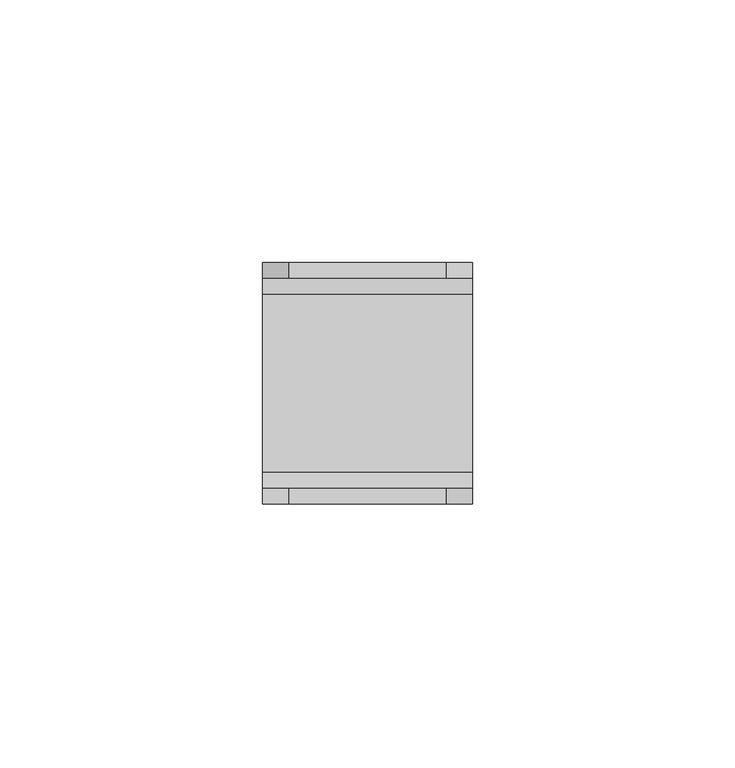
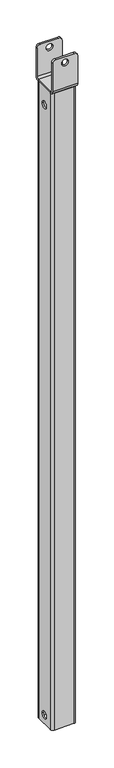
"""IFC4 building model written with IfcOpenShell, lengths in millimetres: proxy geometry."""

import ifcopenshell
import ifcopenshell.guid

model = None  # the IFC model being written
_history = None  # IfcOwnerHistory: only IFC2X3 demands one
_inside = {}  # id of a spatial element -> (the spatial element, [elements in it])
_under = {}  # id of a project, library or spatial element -> (it, [spatial elements below it])
_declared = {}  # id of a project -> (the project, [libraries it declares])
_typed = {}  # id of a type object -> (the type object, [elements of that type])
_made_of = {}  # id of a material, layer set ... -> (it, [elements and type objects made of it])


def new_model(schema):
    """Start an empty IFC model of exactly this schema.

    Asked for "IFC4X3", IfcOpenShell would pick the latest addendum, in which some entities
    have other attributes; the version numbers below select the first issue.
    IFC2X3 requires an IfcOwnerHistory on every rooted entity: one is made here for all.
    """
    global model, _history
    if schema == "IFC4X3":
        model = ifcopenshell.file(schema_version=(4, 3, 0, 0))
    else:
        model = ifcopenshell.file(schema=schema)
    _inside.clear()
    _under.clear()
    _declared.clear()
    _typed.clear()
    _made_of.clear()
    _history = None
    if model.schema == "IFC2X3":
        org = make("IfcOrganization", Name="unknown")
        user = make(
            "IfcPersonAndOrganization",
            ThePerson=make("IfcPerson", FamilyName="unknown"),
            TheOrganization=org,
        )
        app = make(
            "IfcApplication",
            ApplicationDeveloper=org,
            Version="unknown",
            ApplicationFullName="unknown",
            ApplicationIdentifier="unknown",
        )
        _history = make(
            "IfcOwnerHistory",
            OwningUser=user,
            OwningApplication=app,
            ChangeAction="ADDED",
            CreationDate=0,
        )
    return model


def make(cls, **values):
    """One entity of the class cls with the attributes given. An attribute that is None is left unset."""
    return model.create_entity(
        cls, **{name: value for name, value in values.items() if value is not None}
    )


def rooted(cls, **values):
    """An entity with a GlobalId (a new one), such as an element, a storey or a relation."""
    return make(cls, GlobalId=ifcopenshell.guid.new(), OwnerHistory=_history, **values)


def si_unit(unit_type, name, prefix=None):
    """IfcSIUnit, for example si_unit("LENGTHUNIT", "METRE", prefix="MILLI")."""
    return make("IfcSIUnit", UnitType=unit_type, Prefix=prefix, Name=name)


def assignment(units):
    """IfcUnitAssignment: the units of a project."""
    return None if units is None else make("IfcUnitAssignment", Units=units)


def point(xyz):
    """IfcCartesianPoint."""
    return None if xyz is None else make("IfcCartesianPoint", Coordinates=xyz)


def direction(xyz):
    """IfcDirection."""
    return None if xyz is None else make("IfcDirection", DirectionRatios=xyz)


def frame(location, z_axis=None, x_axis=None):
    """IfcAxis2Placement3D, a coordinate frame: its origin and axes. An axis left out is left unset."""
    return make(
        "IfcAxis2Placement3D",
        Location=point(location),
        Axis=direction(z_axis),
        RefDirection=direction(x_axis),
    )


def origin():
    """The frame at (0, 0, 0) with its axes left unset."""
    return frame((0.0, 0.0, 0.0))


def place(relative_to, where):
    """IfcLocalPlacement: puts the frame where relative to a parent placement (None: the world)."""
    return make(
        "IfcLocalPlacement", PlacementRelTo=relative_to, RelativePlacement=where
    )


def context(
    kind, dimensions, precision=None, world=None, true_north=None, identifier=None
):
    """IfcGeometricRepresentationContext, for example the 3D "Model" context."""
    return make(
        "IfcGeometricRepresentationContext",
        ContextIdentifier=identifier,
        ContextType=kind,
        CoordinateSpaceDimension=dimensions,
        Precision=precision,
        WorldCoordinateSystem=world,
        TrueNorth=true_north,
    )


def project(units=None, contexts=None):
    """IfcProject with its units and contexts."""
    return rooted(
        "IfcProject",
        Name="project",
        RepresentationContexts=contexts,
        UnitsInContext=assignment(units),
    )


def spatial(cls, under=None, at=None, **own):
    """A site, building, storey or space (cls), placed at a placement, below another one or the project."""
    s = rooted(cls, ObjectPlacement=at, **own)
    if under is not None:
        _under.setdefault(under.id(), (under, []))[1].append(s)
    return s


def polyline(points):
    """IfcPolyline through the points."""
    return make("IfcPolyline", Points=[point(p) for p in points])


def circle_curve(where, radius):
    """IfcCircle in the frame where."""
    return make("IfcCircle", Position=where, Radius=radius)


def shape(context_of_items, identifier, shape_type, items):
    """IfcShapeRepresentation: the items that make up one representation, for example the "Body"."""
    return make(
        "IfcShapeRepresentation",
        ContextOfItems=context_of_items,
        RepresentationIdentifier=identifier,
        RepresentationType=shape_type,
        Items=items,
    )


def source(mapping_origin, context_of_items, identifier, shape_type, items):
    """IfcRepresentationMap: a shape defined once, which mapped items show again and again."""
    return make(
        "IfcRepresentationMap",
        MappingOrigin=mapping_origin,
        MappedRepresentation=shape(context_of_items, identifier, shape_type, items),
    )


def transform(
    local_origin,
    x_axis=None,
    y_axis=None,
    z_axis=None,
    scale=None,
    scale2=None,
    scale3=None,
    uniform=True,
):
    """IfcCartesianTransformationOperator3D, or its non-uniform kind. x_axis, y_axis, z_axis: its Axis1, 2, 3."""
    if uniform:
        return make(
            "IfcCartesianTransformationOperator3D",
            Axis1=direction(x_axis),
            Axis2=direction(y_axis),
            LocalOrigin=point(local_origin),
            Scale=scale,
            Axis3=direction(z_axis),
        )
    return make(
        "IfcCartesianTransformationOperator3DnonUniform",
        Axis1=direction(x_axis),
        Axis2=direction(y_axis),
        LocalOrigin=point(local_origin),
        Scale=scale,
        Axis3=direction(z_axis),
        Scale2=scale2,
        Scale3=scale3,
    )


def mapped(mapping_source, mapping_target):
    """IfcMappedItem: shows the shape of a source again, moved by a transform."""
    return make(
        "IfcMappedItem", MappingSource=mapping_source, MappingTarget=mapping_target
    )


def made_of(thing, what):
    """Note that an element or type object is made of a material, layer set ...; save() writes the relation."""
    if what is not None:
        _made_of.setdefault(what.id(), (what, []))[1].append(thing)
    return thing


def element(
    cls,
    number,
    at=None,
    inside=None,
    cuts=None,
    type_object=None,
    material=None,
    context=None,
    identifier="Body",
    shape_type=None,
    held_by="IfcProductDefinitionShape",
    body=None,
    shapes=None,
    **own,
):
    """One element of the class cls, such as IfcWall. Its Tag is "e" and its number.

    at: its placement. inside: the storey or other place that contains it. cuts: it is an
    opening in that element (IfcRelVoidsElement). A single representation is given by context,
    identifier, shape_type and body (its items); several are given by shapes. held_by: the class
    of the entity that holds the representations. save() writes the other relations.
    """
    e = rooted(cls, Tag="e%d" % number, ObjectPlacement=at, **own)
    if body is not None:
        shapes = [shape(context, identifier, shape_type, body)]
    if shapes is not None:
        e.Representation = make(held_by, Representations=shapes)
    if inside is not None:
        _inside.setdefault(inside.id(), (inside, []))[1].append(e)
    if cuts is not None:
        rooted(
            "IfcRelVoidsElement", RelatingBuildingElement=cuts, RelatedOpeningElement=e
        )
    if type_object is not None:
        _typed.setdefault(type_object.id(), (type_object, []))[1].append(e)
    return made_of(e, material)


def aggregate(whole, parts):
    """IfcRelAggregates: a whole, such as a stair, and the parts it consists of."""
    return rooted("IfcRelAggregates", RelatingObject=whole, RelatedObjects=parts)


def save(model, path):
    """Write the relations noted so far, then the file.

    IfcRelAggregates (storeys below a building ...), IfcRelContainedInSpatialStructure (elements
    in a storey), IfcRelDefinesByType, IfcRelAssociatesMaterial and IfcRelDeclares: one each for
    every whole, place, type object, material and project.
    """
    for whole, parts in _under.values():
        aggregate(whole, parts)
    for where, things in _inside.values():
        rooted(
            "IfcRelContainedInSpatialStructure",
            RelatedElements=things,
            RelatingStructure=where,
        )
    for kind, things in _typed.values():
        rooted("IfcRelDefinesByType", RelatedObjects=things, RelatingType=kind)
    for what, things in _made_of.values():
        rooted("IfcRelAssociatesMaterial", RelatedObjects=things, RelatingMaterial=what)
    for by, libraries in _declared.values():
        rooted("IfcRelDeclares", RelatingContext=by, RelatedDefinitions=libraries)
    model.write(path)


def plane_surface(at):
    """IfcPlane: the flat surface through the origin of the frame at, square to its z axis."""
    return make("IfcPlane", Position=at)


def cylinder_surface(at, radius):
    """IfcCylindricalSurface: all points at the distance radius from the z axis of the frame at."""
    return make("IfcCylindricalSurface", Position=at, Radius=radius)


def revolved_surface(curve, axis_point, axis_direction):
    """IfcSurfaceOfRevolution: the curve turned about the line through axis_point along axis_direction."""
    return make(
        "IfcSurfaceOfRevolution",
        SweptCurve=make("IfcArbitraryOpenProfileDef", ProfileType="CURVE", Curve=curve),
        AxisPosition=make("IfcAxis1Placement", Location=point(axis_point), Axis=direction(axis_direction)),
    )


def advanced_brep(points, edges, surfaces, faces):
    """IfcAdvancedBrep: a solid bounded by faces that lie on surfaces and meet in shared edges.

    An edge is (start, end): straight between two places in points (the first is 0);
    or (start, end, curve); or (start, end, curve, False) where it runs against its curve.
    A face is (place in surfaces, loops), or (place, loops, False) where it looks against
    its surface's normal. A loop lists edges by number (the first is 1), with a minus sign
    where the edge is run from its end to its start. The first loop is the outer one.
    """
    corners = [point(p) for p in points]
    vertices = [make("IfcVertexPoint", VertexGeometry=c) for c in corners]
    made = []
    for start, end, *more in edges:
        made.append(
            make(
                "IfcEdgeCurve",
                EdgeStart=vertices[start],
                EdgeEnd=vertices[end],
                EdgeGeometry=more[0] if more else make("IfcPolyline", Points=[corners[start], corners[end]]),
                SameSense=more[1] if len(more) > 1 else True,
            )
        )
    hull = []
    for where, loops, *sense in faces:
        bounds = []
        for j, loop in enumerate(loops):
            ring = [make("IfcOrientedEdge", EdgeElement=made[abs(k) - 1], Orientation=k > 0) for k in loop]
            bounds.append(
                make(
                    "IfcFaceOuterBound" if j == 0 else "IfcFaceBound",
                    Bound=make("IfcEdgeLoop", EdgeList=ring),
                    Orientation=True,
                )
            )
        hull.append(make("IfcAdvancedFace", Bounds=bounds, FaceSurface=surfaces[where], SameSense=sense[0] if sense else True))
    return make("IfcAdvancedBrep", Outer=make("IfcClosedShell", CfsFaces=hull))


def generic_models_fb548006(model_context):
    return source(origin(), model_context, "Body", "AdvancedBrep", [
        advanced_brep(
        [(-14.0, 13.0, -30.0), (-12.0, 13.0, -30.0), (-12.0, 1.0, -30.0), (-14.0, 1.0, -30.0), (24.0, 13.0, -30.0), (26.0, 13.0, -30.0), (26.0, 1.0, -30.0), (24.0, 1.0, -30.0), (-12.0, 13.0, -1064.0), (-14.0, 13.0, -1064.0), (-14.0, 1.0, -1064.0), (-12.0, 1.0, -1064.0), (26.0, 13.0, -1064.0), (24.0, 13.0, -1064.0), (24.0, 1.0, -1064.0), (26.0, 1.0, -1064.0), (-10.0, 27.0, -1079.0), (22.0, 27.0, -1079.0), (26.0, 23.0, -1079.0), (26.0, -9.0, -1079.0), (22.0, -13.0, -1079.0), (-10.0, -13.0, -1079.0), (-14.0, -9.0, -1079.0), (-14.0, 23.0, -1079.0), (24.0, 23.0, -1079.0), (22.0, 25.0, -1079.0), (-10.0, 25.0, -1079.0), (-12.0, 23.0, -1079.0), (-12.0, -9.0, -1079.0), (-10.0, -11.0, -1079.0), (22.0, -11.0, -1079.0), (24.0, -9.0, -1079.0), (26.0, 23.0, 0.0), (22.0, 27.0, 0.0), (-10.0, 27.0, 0.0), (-14.0, 23.0, 0.0), (-14.0, -9.0, 0.0), (-10.0, -13.0, 0.0), (22.0, -13.0, 0.0), (26.0, -9.0, 0.0), (-12.0, 23.0, 0.0), (-10.0, 25.0, 0.0), (22.0, 25.0, 0.0), (24.0, 23.0, 0.0), (24.0, -9.0, 0.0), (22.0, -11.0, 0.0), (-10.0, -11.0, 0.0), (-12.0, -9.0, 0.0)],
        [
            (0, 1),
            (1, 2, circle_curve(frame((-12.0, 7.0, -30.0), z_axis=(1.0, 0.0, 0.0), x_axis=(0.0, 1.0, 0.0)), 6.0)),
            (2, 3),
            (3, 0, circle_curve(frame((-14.0, 7.0, -30.0), z_axis=(-1.0, 0.0, 0.0), x_axis=(0.0, 1.0, 0.0)), 6.0)),
            (4, 5),
            (5, 6, circle_curve(frame((26.0, 7.0, -30.0), z_axis=(1.0, 0.0, 0.0), x_axis=(0.0, 1.0, 0.0)), 6.0)),
            (6, 7),
            (7, 4, circle_curve(frame((24.0, 7.0, -30.0), z_axis=(-1.0, 0.0, 0.0), x_axis=(0.0, 1.0, 0.0)), 6.0)),
            (8, 9),
            (9, 10, circle_curve(frame((-14.0, 7.0, -1064.0), z_axis=(-1.0, 0.0, 0.0), x_axis=(0.0, 1.0, 0.0)), 6.0)),
            (10, 11),
            (11, 8, circle_curve(frame((-12.0, 7.0, -1064.0), z_axis=(1.0, 0.0, 0.0), x_axis=(0.0, 1.0, 0.0)), 6.0)),
            (12, 13),
            (13, 14, circle_curve(frame((24.0, 7.0, -1064.0), z_axis=(-1.0, 0.0, 0.0), x_axis=(0.0, 1.0, 0.0)), 6.0)),
            (14, 15),
            (15, 12, circle_curve(frame((26.0, 7.0, -1064.0), z_axis=(1.0, 0.0, 0.0), x_axis=(0.0, 1.0, 0.0)), 6.0)),
            (12, 15, circle_curve(frame((26.0, 7.0, -1064.0), z_axis=(1.0, 0.0, 0.0), x_axis=(0.0, 1.0, 0.0)), 6.0)),
            (14, 13, circle_curve(frame((24.0, 7.0, -1064.0), z_axis=(-1.0, 0.0, 0.0), x_axis=(0.0, 1.0, 0.0)), 6.0)),
            (8, 11, circle_curve(frame((-12.0, 7.0, -1064.0), z_axis=(1.0, 0.0, 0.0), x_axis=(0.0, 1.0, 0.0)), 6.0)),
            (10, 9, circle_curve(frame((-14.0, 7.0, -1064.0), z_axis=(-1.0, 0.0, 0.0), x_axis=(0.0, 1.0, 0.0)), 6.0)),
            (16, 17),
            (17, 18, circle_curve(frame((22.0, 23.0, -1079.0), z_axis=(0.0, 0.0, -1.0), x_axis=(0.0, -1.0, 0.0)), 4.0)),
            (18, 19),
            (19, 20, circle_curve(frame((22.0, -9.0, -1079.0), z_axis=(0.0, 0.0, -1.0), x_axis=(-1.0, 0.0, 0.0)), 4.0)),
            (20, 21),
            (21, 22, circle_curve(frame((-10.0, -9.0, -1079.0), z_axis=(0.0, 0.0, -1.0), x_axis=(0.0, 1.0, 0.0)), 4.0)),
            (22, 23),
            (23, 16, circle_curve(frame((-10.0, 23.0, -1079.0), z_axis=(0.0, 0.0, -1.0), x_axis=(1.0, 0.0, 0.0)), 4.0)),
            (24, 25, circle_curve(frame((22.0, 23.0, -1079.0), z_axis=(0.0, 0.0, 1.0), x_axis=(0.0, -1.0, 0.0)), 2.0)),
            (25, 26),
            (26, 27, circle_curve(frame((-10.0, 23.0, -1079.0), z_axis=(0.0, 0.0, 1.0), x_axis=(1.0, 0.0, 0.0)), 2.0)),
            (27, 28),
            (28, 29, circle_curve(frame((-10.0, -9.0, -1079.0), z_axis=(0.0, 0.0, 1.0), x_axis=(0.0, 1.0, 0.0)), 2.0)),
            (29, 30),
            (30, 31, circle_curve(frame((22.0, -9.0, -1079.0), z_axis=(0.0, 0.0, 1.0), x_axis=(-1.0, 0.0, 0.0)), 2.0)),
            (31, 24),
            (32, 33, circle_curve(frame((22.0, 23.0, 0.0), z_axis=(0.0, 0.0, 1.0), x_axis=(0.0, -1.0, 0.0)), 4.0)),
            (33, 34),
            (34, 35, circle_curve(frame((-10.0, 23.0, 0.0), z_axis=(0.0, 0.0, 1.0), x_axis=(1.0, 0.0, 0.0)), 4.0)),
            (35, 36),
            (36, 37, circle_curve(frame((-10.0, -9.0, 0.0), z_axis=(0.0, 0.0, 1.0), x_axis=(0.0, 1.0, 0.0)), 4.0)),
            (37, 38),
            (38, 39, circle_curve(frame((22.0, -9.0, 0.0), z_axis=(0.0, 0.0, 1.0), x_axis=(-1.0, 0.0, 0.0)), 4.0)),
            (39, 32),
            (40, 41, circle_curve(frame((-10.0, 23.0, 0.0), z_axis=(0.0, 0.0, -1.0), x_axis=(1.0, 0.0, 0.0)), 2.0)),
            (41, 42),
            (42, 43, circle_curve(frame((22.0, 23.0, 0.0), z_axis=(0.0, 0.0, -1.0), x_axis=(0.0, -1.0, 0.0)), 2.0)),
            (43, 44),
            (44, 45, circle_curve(frame((22.0, -9.0, 0.0), z_axis=(0.0, 0.0, -1.0), x_axis=(-1.0, 0.0, 0.0)), 2.0)),
            (45, 46),
            (46, 47, circle_curve(frame((-10.0, -9.0, 0.0), z_axis=(0.0, 0.0, -1.0), x_axis=(0.0, 1.0, 0.0)), 2.0)),
            (47, 40),
            (4, 7, circle_curve(frame((24.0, 7.0, -30.0), z_axis=(-1.0, 0.0, 0.0), x_axis=(0.0, 1.0, 0.0)), 6.0)),
            (6, 5, circle_curve(frame((26.0, 7.0, -30.0), z_axis=(1.0, 0.0, 0.0), x_axis=(0.0, 1.0, 0.0)), 6.0)),
            (0, 3, circle_curve(frame((-14.0, 7.0, -30.0), z_axis=(-1.0, 0.0, 0.0), x_axis=(0.0, 1.0, 0.0)), 6.0)),
            (2, 1, circle_curve(frame((-12.0, 7.0, -30.0), z_axis=(1.0, 0.0, 0.0), x_axis=(0.0, 1.0, 0.0)), 6.0)),
            (27, 40),
            (47, 28),
            (26, 41),
            (25, 42),
            (24, 43),
            (16, 34),
            (33, 17),
            (23, 35),
            (22, 36),
            (21, 37),
            (31, 44),
            (30, 45),
            (29, 46),
            (20, 38),
            (19, 39),
            (18, 32),
        ],
        [
            revolved_surface(polyline([(-14.0, 13.0, -30.0), (-12.0, 13.0, -30.0)]), (26.0, 7.0, -30.0), (-1.0, 0.0, 0.0)),
            revolved_surface(polyline([(24.0, 13.0, -30.0), (26.0, 13.0, -30.0)]), (26.0, 7.0, -30.0), (-1.0, 0.0, 0.0)),
            revolved_surface(polyline([(-12.0, 13.0, -1064.0), (-14.0, 13.0, -1064.0)]), (-14.0, 7.0, -1064.0), (1.0, 0.0, 0.0)),
            revolved_surface(polyline([(26.0, 13.0, -1064.0), (24.0, 13.0, -1064.0)]), (-14.0, 7.0, -1064.0), (1.0, 0.0, 0.0)),
            plane_surface(frame((6.0, 7.0, -1079.0), z_axis=(0.0, 0.0, -1.0), x_axis=(0.0, -1.0, 0.0))),
            plane_surface(frame((6.0, 7.0, 0.0), z_axis=(0.0, 0.0, 1.0), x_axis=(0.0, -1.0, 0.0))),
            plane_surface(frame((-12.0, 23.0, -15.0), z_axis=(1.0, 0.0, 0.0), x_axis=(0.0, 0.0, -1.0))),
            revolved_surface(polyline([(-8.0, 23.0, -1079.0), (-8.0, 23.0, 0.0)]), (-10.0, 23.0, -15.0), (0.0, 0.0, -1.0)),
            plane_surface(frame((22.0, 25.0, -15.0), z_axis=(0.0, -1.0, 0.0), x_axis=(0.0, 0.0, -1.0))),
            revolved_surface(polyline([(22.0, 21.0, -1079.0), (22.0, 21.0, 0.0)]), (22.0, 23.0, -15.0), (0.0, 0.0, -1.0)),
            plane_surface(frame((22.0, 27.0, -15.0), z_axis=(0.0, 1.0, 0.0), x_axis=(0.0, 0.0, -1.0))),
            cylinder_surface(frame((-10.0, 23.0, -15.0), z_axis=(0.0, 0.0, -1.0), x_axis=(1.0, 0.0, 0.0)), 4.0),
            plane_surface(frame((-14.0, 23.0, -15.0), z_axis=(-1.0, 0.0, 0.0), x_axis=(0.0, 0.0, -1.0))),
            cylinder_surface(frame((-10.0, -9.0, -15.0), z_axis=(0.0, 0.0, -1.0), x_axis=(0.0, 1.0, 0.0)), 4.0),
            plane_surface(frame((24.0, -9.0, -15.0), z_axis=(-1.0, 0.0, 0.0), x_axis=(0.0, 0.0, 1.0))),
            revolved_surface(polyline([(20.0, -9.0, -1079.0), (20.0, -9.0, 0.0)]), (22.0, -9.0, -15.0), (0.0, 0.0, -1.0)),
            plane_surface(frame((-10.0, -11.0, -15.0), z_axis=(0.0, 1.0, 0.0), x_axis=(0.0, 0.0, 1.0))),
            revolved_surface(polyline([(-10.0, -7.0, -1079.0), (-10.0, -7.0, 0.0)]), (-10.0, -9.0, -15.0), (0.0, 0.0, -1.0)),
            plane_surface(frame((-10.0, -13.0, -15.0), z_axis=(0.0, -1.0, 0.0), x_axis=(0.0, 0.0, 1.0))),
            cylinder_surface(frame((22.0, -9.0, -15.0), z_axis=(0.0, 0.0, -1.0), x_axis=(-1.0, 0.0, 0.0)), 4.0),
            plane_surface(frame((26.0, -9.0, -15.0), z_axis=(1.0, 0.0, 0.0), x_axis=(0.0, 0.0, 1.0))),
            cylinder_surface(frame((22.0, 23.0, -15.0), z_axis=(0.0, 0.0, -1.0), x_axis=(0.0, -1.0, 0.0)), 4.0),
        ],
        [
            (0, [[1, 2, 3, 4]]),
            (1, [[5, 6, 7, 8]]),
            (2, [[9, 10, 11, 12]]),
            (3, [[13, 14, 15, 16]]),
            (3, [[-13, 17, -15, 18]]),
            (2, [[-9, 19, -11, 20]]),
            (4, [[21, 22, 23, 24, 25, 26, 27, 28], [29, 30, 31, 32, 33, 34, 35, 36]]),
            (5, [[37, 38, 39, 40, 41, 42, 43, 44], [45, 46, 47, 48, 49, 50, 51, 52]]),
            (1, [[-5, 53, -7, 54]]),
            (0, [[-1, 55, -3, 56]]),
            (6, [[57, -52, 58, -32], [-2, -56], [-19, -12]]),
            (7, [[59, -45, -57, -31]]),
            (8, [[60, -46, -59, -30]]),
            (9, [[61, -47, -60, -29]]),
            (10, [[62, -38, 63, -21]]),
            (11, [[64, -39, -62, -28]]),
            (12, [[65, -40, -64, -27], [-10, -20], [-55, -4]]),
            (13, [[66, -41, -65, -26]]),
            (14, [[67, -48, -61, -36], [-14, -18], [-53, -8]]),
            (15, [[68, -49, -67, -35]]),
            (16, [[69, -50, -68, -34]]),
            (17, [[-58, -51, -69, -33]]),
            (18, [[70, -42, -66, -25]]),
            (19, [[71, -43, -70, -24]]),
            (20, [[72, -44, -71, -23], [-6, -54], [-17, -16]]),
            (21, [[-63, -37, -72, -22]]),
        ],
    ),
        advanced_brep(
        [(0.5, 30.0, 48.5), (0.5, 27.0, 48.5), (11.5, 27.0, 48.5), (11.5, 30.0, 48.5), (0.5, -13.0, 48.5), (0.5, -16.0, 48.5), (11.5, -16.0, 48.5), (11.5, -13.0, 48.5), (26.0, 30.0, 53.5), (21.0, 30.0, 58.5), (21.0, 27.0, 58.5), (26.0, 27.0, 53.5), (26.0, 27.0, 6.0), (26.0, 24.0, 3.0), (26.0, -10.0, 3.0), (26.0, -13.0, 6.0), (26.0, -13.0, 53.5), (26.0, -16.0, 53.5), (26.0, -16.0, 6.0), (26.0, -10.0, 0.0), (26.0, 24.0, 0.0), (26.0, 30.0, 6.0), (-9.0, 27.0, 58.5), (-14.0, 27.0, 53.5), (-14.0, 27.0, 6.0), (-9.0, 30.0, 58.5), (-14.0, 30.0, 53.5), (-14.0, 30.0, 6.0), (-14.0, 24.0, 0.0), (-14.0, -10.0, 0.0), (-14.0, -16.0, 6.0), (-14.0, -16.0, 53.5), (-14.0, -13.0, 53.5), (-14.0, -13.0, 6.0), (-14.0, -10.0, 3.0), (-14.0, 24.0, 3.0), (-9.0, -16.0, 58.5), (-9.0, -13.0, 58.5), (21.0, -13.0, 58.5), (21.0, -16.0, 58.5)],
        [
            (0, 1),
            (1, 2, circle_curve(frame((6.0, 27.0, 48.5), z_axis=(0.0, -1.0, 0.0), x_axis=(-1.0, 0.0, 0.0)), 5.5)),
            (2, 3),
            (3, 0, circle_curve(frame((6.0, 30.0, 48.5), z_axis=(0.0, 1.0, 0.0), x_axis=(-1.0, 0.0, 0.0)), 5.5)),
            (4, 5),
            (5, 6, circle_curve(frame((6.0, -16.0, 48.5), z_axis=(0.0, -1.0, 0.0), x_axis=(-1.0, 0.0, 0.0)), 5.5)),
            (6, 7),
            (7, 4, circle_curve(frame((6.0, -13.0, 48.5), z_axis=(0.0, 1.0, 0.0), x_axis=(-1.0, 0.0, 0.0)), 5.5)),
            (8, 9, circle_curve(frame((21.0, 30.0, 53.5), z_axis=(0.0, -1.0, 0.0), x_axis=(0.7071067811865475, 0.0, 0.7071067811865475)), 5.0)),
            (9, 10),
            (10, 11, circle_curve(frame((21.0, 27.0, 53.5), z_axis=(0.0, 1.0, 0.0), x_axis=(0.7071067811865475, 0.0, 0.7071067811865475)), 5.0)),
            (11, 8),
            (11, 12),
            (12, 13, circle_curve(frame((26.0, 24.0, 6.0), z_axis=(-1.0, 0.0, 0.0), x_axis=(0.0, 0.0, -1.0)), 3.0)),
            (13, 14),
            (14, 15, circle_curve(frame((26.0, -10.0, 6.0), z_axis=(-1.0, 0.0, 0.0), x_axis=(0.0, 0.0, -1.0)), 3.0)),
            (15, 16),
            (16, 17),
            (17, 18),
            (18, 19, circle_curve(frame((26.0, -10.0, 6.0), z_axis=(1.0, 0.0, 0.0), x_axis=(0.0, 0.0, -1.0)), 6.0)),
            (19, 20),
            (20, 21, circle_curve(frame((26.0, 24.0, 6.0), z_axis=(1.0, 0.0, 0.0), x_axis=(0.0, 0.0, -1.0)), 6.0)),
            (21, 8),
            (10, 22),
            (22, 23, circle_curve(frame((-9.0, 27.0, 53.5), z_axis=(0.0, -1.0, 0.0), x_axis=(-0.7071067811865475, 0.0, 0.7071067811865475)), 5.0)),
            (23, 24),
            (24, 12),
            (1, 2, circle_curve(frame((6.0, 27.0, 48.5), z_axis=(0.0, 1.0, 0.0), x_axis=(-1.0, 0.0, 0.0)), 5.5)),
            (25, 26, circle_curve(frame((-9.0, 30.0, 53.5), z_axis=(0.0, -1.0, 0.0), x_axis=(-0.7071067811865475, 0.0, 0.7071067811865475)), 5.0)),
            (26, 23),
            (22, 25),
            (26, 27),
            (27, 28, circle_curve(frame((-14.0, 24.0, 6.0), z_axis=(-1.0, 0.0, 0.0), x_axis=(0.0, 0.0, -1.0)), 6.0)),
            (28, 29),
            (29, 30, circle_curve(frame((-14.0, -10.0, 6.0), z_axis=(-1.0, 0.0, 0.0), x_axis=(0.0, 0.0, -1.0)), 6.0)),
            (30, 31),
            (31, 32),
            (32, 33),
            (33, 34, circle_curve(frame((-14.0, -10.0, 6.0), z_axis=(1.0, 0.0, 0.0), x_axis=(0.0, 0.0, -1.0)), 3.0)),
            (34, 35),
            (35, 24, circle_curve(frame((-14.0, 24.0, 6.0), z_axis=(1.0, 0.0, 0.0), x_axis=(0.0, 0.0, -1.0)), 3.0)),
            (31, 36, circle_curve(frame((-9.0, -16.0, 53.5), z_axis=(0.0, 1.0, 0.0), x_axis=(-0.7071067811865475, 0.0, 0.7071067811865475)), 5.0)),
            (36, 37),
            (37, 32, circle_curve(frame((-9.0, -13.0, 53.5), z_axis=(0.0, -1.0, 0.0), x_axis=(-0.7071067811865475, 0.0, 0.7071067811865475)), 5.0)),
            (37, 38),
            (38, 16, circle_curve(frame((21.0, -13.0, 53.5), z_axis=(0.0, 1.0, 0.0), x_axis=(0.7071067811865475, 0.0, 0.7071067811865475)), 5.0)),
            (15, 33),
            (7, 4, circle_curve(frame((6.0, -13.0, 48.5), z_axis=(0.0, -1.0, 0.0), x_axis=(-1.0, 0.0, 0.0)), 5.5)),
            (39, 17, circle_curve(frame((21.0, -16.0, 53.5), z_axis=(0.0, 1.0, 0.0), x_axis=(0.7071067811865475, 0.0, 0.7071067811865475)), 5.0)),
            (38, 39),
            (6, 5, circle_curve(frame((6.0, -16.0, 48.5), z_axis=(0.0, -1.0, 0.0), x_axis=(-1.0, 0.0, 0.0)), 5.5)),
            (0, 3, circle_curve(frame((6.0, 30.0, 48.5), z_axis=(0.0, 1.0, 0.0), x_axis=(-1.0, 0.0, 0.0)), 5.5)),
            (14, 34),
            (18, 30),
            (29, 19),
            (28, 20),
            (35, 13),
            (27, 21),
            (9, 25),
            (36, 39),
        ],
        [
            revolved_surface(polyline([(0.5, 30.0, 48.5), (0.5, 27.0, 48.5)]), (6.0, -16.0, 48.5), (0.0, 1.0, 0.0)),
            revolved_surface(polyline([(0.5, -13.0, 48.5), (0.5, -16.0, 48.5)]), (6.0, -16.0, 48.5), (0.0, 1.0, 0.0)),
            cylinder_surface(frame((21.0, 7.0, 53.5), z_axis=(0.0, 0.9999999999999998, 0.0), x_axis=(0.7071067811865475, 0.0, 0.7071067811865475)), 5.0),
            plane_surface(frame((26.0, -13.0, 58.5), z_axis=(1.0, 0.0, 0.0), x_axis=(0.0, 0.0, -1.0))),
            plane_surface(frame((6.0, 27.0, 30.75), z_axis=(0.0, -1.0, 0.0), x_axis=(0.0, 0.0, 1.0))),
            cylinder_surface(frame((-9.0, 7.0, 53.5), z_axis=(0.0, 0.9999999999999998, 0.0), x_axis=(-0.7071067811865475, 0.0, 0.7071067811865475)), 5.0),
            plane_surface(frame((-14.0, -13.0, 3.0), z_axis=(-1.0, 0.0, 0.0), x_axis=(0.0, 0.0, 1.0))),
            cylinder_surface(frame((-9.0, -13.0, 53.5), z_axis=(0.0, -0.9999999999999998, 0.0), x_axis=(-0.7071067811865475, 0.0, 0.7071067811865475)), 5.0),
            plane_surface(frame((6.0, -13.0, 30.75), z_axis=(0.0, 1.0, 0.0), x_axis=(0.0, 0.0, 1.0))),
            cylinder_surface(frame((21.0, -13.0, 53.5), z_axis=(0.0, -0.9999999999999998, 0.0), x_axis=(0.7071067811865475, 0.0, 0.7071067811865475)), 5.0),
            revolved_surface(polyline([(-14.0, -10.0, 3.0), (26.0, -10.0, 3.0)]), (6.0, -10.0, 6.0), (-1.0, 0.0, 0.0)),
            cylinder_surface(frame((6.0, -10.0, 6.0), z_axis=(-1.0, 0.0, 0.0), x_axis=(0.0, 0.0, -1.0)), 6.0),
            plane_surface(frame((6.0, 7.0, 0.0), z_axis=(0.0, 0.0, -1.0), x_axis=(1.0, 0.0, 0.0))),
            revolved_surface(polyline([(26.0, 24.0, 3.0), (-14.0, 24.0, 3.0)]), (6.0, 24.0, 6.0), (1.0, 0.0, 0.0)),
            cylinder_surface(frame((6.0, 24.0, 6.0), z_axis=(1.0, 0.0, 0.0), x_axis=(0.0, 0.0, -1.0)), 6.0),
            plane_surface(frame((6.0, 7.0, 3.0), z_axis=(0.0, 0.0, 1.0), x_axis=(1.0, 0.0, 0.0))),
            plane_surface(frame((26.0, 27.0, 58.5), z_axis=(0.0, 0.0, 1.0), x_axis=(1.0, 0.0, 0.0))),
            plane_surface(frame((6.0, 30.0, 30.75), z_axis=(0.0, 1.0, 0.0), x_axis=(0.0, 0.0, 1.0))),
            plane_surface(frame((-14.0, -13.0, 58.5), z_axis=(0.0, 0.0, 1.0), x_axis=(1.0, 0.0, 0.0))),
            plane_surface(frame((6.0, -16.0, 30.75), z_axis=(0.0, -1.0, 0.0), x_axis=(0.0, 0.0, 1.0))),
        ],
        [
            (0, [[1, 2, 3, 4]]),
            (1, [[5, 6, 7, 8]]),
            (2, [[9, 10, 11, 12]]),
            (3, [[-12, 13, 14, 15, 16, 17, 18, 19, 20, 21, 22, 23]]),
            (4, [[-11, 24, 25, 26, 27, -13], [-2, 28]]),
            (5, [[29, 30, -25, 31]]),
            (6, [[-30, 32, 33, 34, 35, 36, 37, 38, 39, 40, 41, -26]]),
            (7, [[42, 43, 44, -37]]),
            (8, [[-44, 45, 46, -17, 47, -38], [48, -8]]),
            (9, [[49, -18, -46, 50]]),
            (1, [[-5, -48, -7, 51]]),
            (0, [[-1, 52, -3, -28]]),
            (10, [[-47, -16, 53, -39]]),
            (11, [[54, -35, 55, -20]]),
            (12, [[-55, -34, 56, -21]]),
            (13, [[-27, -41, 57, -14]]),
            (14, [[58, -22, -56, -33]]),
            (15, [[-53, -15, -57, -40]]),
            (16, [[-10, 59, -31, -24]]),
            (17, [[-9, -23, -58, -32, -29, -59], [-52, -4]]),
            (18, [[-43, 60, -50, -45]]),
            (19, [[-42, -36, -54, -19, -49, -60], [-6, -51]]),
        ],
    ),
    ])


if __name__ == "__main__":
    model = new_model("IFC4")
    model_context = context("Model", 3, world=origin())
    ifc_project = project(units=[si_unit("LENGTHUNIT", "METRE", prefix="MILLI")], contexts=[model_context])
    site = spatial("IfcSite", under=ifc_project)
    building = spatial("IfcBuilding", under=site)
    placement = place(None, origin())
    generic_models_shape = generic_models_fb548006(model_context)
    element("IfcBuildingElementProxy", 1, Name="Generic Models", at=placement, inside=building, context=model_context, shape_type="MappedRepresentation", body=[
        mapped(generic_models_shape, transform((0.0, 0.0, 0.0), x_axis=(1.0, 0.0, 0.0), y_axis=(0.0, 1.0, 0.0), z_axis=(0.0, 0.0, 1.0))),
    ])
    save(model, "model.ifc")
